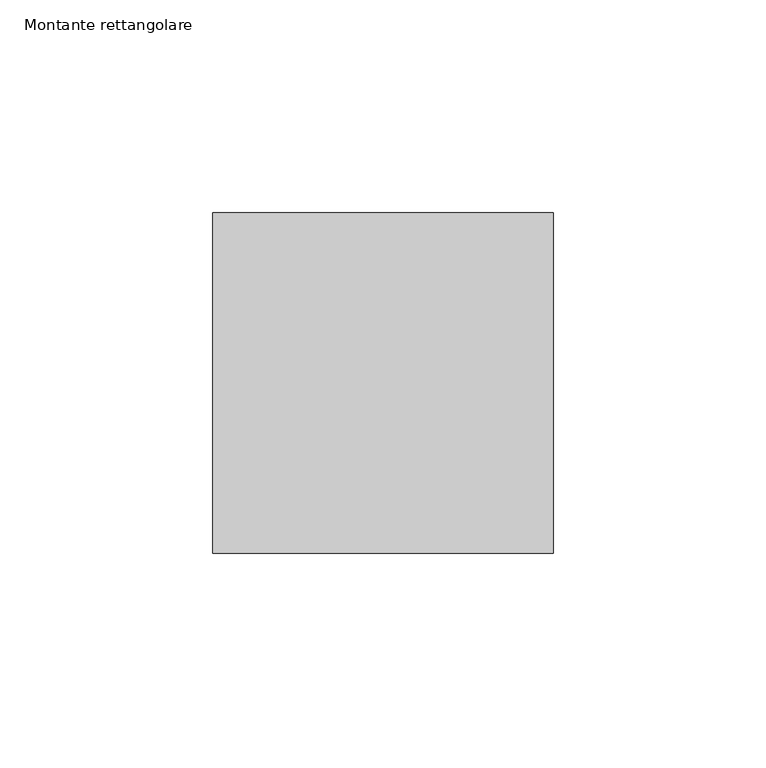
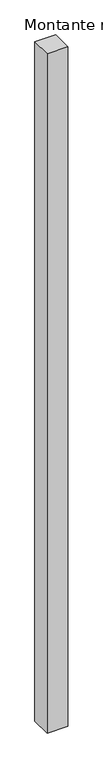
"""IFC4 building model written with IfcOpenShell, lengths in millimetres: member geometry, Montante rettangolare."""

from ifc_helpers import new_model, si_unit, frame, origin, place, context, project, spatial, polyline, outline, extrude, source, transform, mapped, element, save


def montante_rettangolare_1bebdc92(model_context):
    return source(origin(), model_context, "Body", "SweptSolid", [
        extrude(outline(polyline([(0.0, 40.0), (0.0, -40.0), (-80.0, -40.0), (-80.0, 40.0), (0.0, 40.0)])), frame((0.0, 0.0, -2740.0), z_axis=(0.0, 0.0, 1.0), x_axis=(1.0, 0.0, 0.0)), (0.0, 0.0, 1.0), 2740.0),
    ])


if __name__ == "__main__":
    model = new_model("IFC4")
    model_context = context("Model", 3, world=origin())
    ifc_project = project(units=[si_unit("LENGTHUNIT", "METRE", prefix="MILLI")], contexts=[model_context])
    site = spatial("IfcSite", under=ifc_project)
    building = spatial("IfcBuilding", under=site)
    placement = place(None, origin())
    montante_rettangolare_shape = montante_rettangolare_1bebdc92(model_context)
    element("IfcMember", 1, ObjectType="Montante rettangolare", at=placement, inside=building, context=model_context, shape_type="MappedRepresentation", body=[
        mapped(montante_rettangolare_shape, transform((0.0, 0.0, 0.0), x_axis=(1.0, 0.0, 0.0), y_axis=(0.0, 1.0, 0.0), z_axis=(0.0, 0.0, 1.0))),
    ])
    save(model, "model.ifc")
